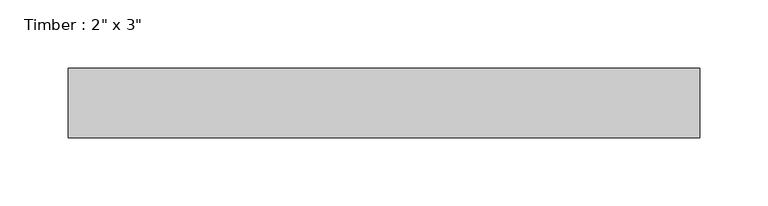
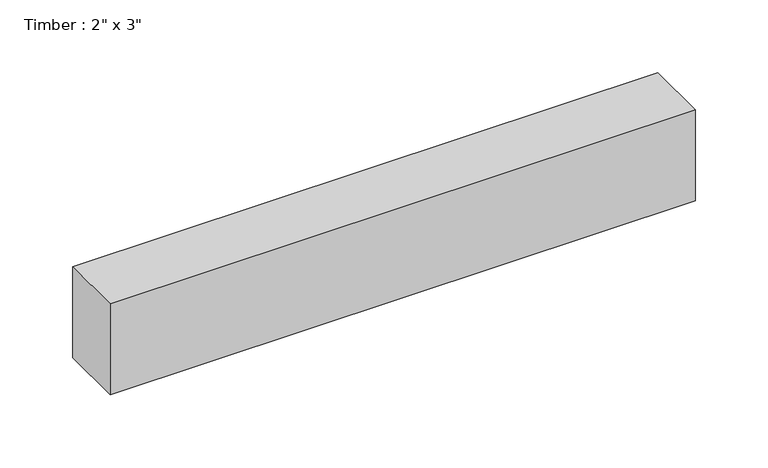
"""IFC4 building model written with IfcOpenShell, lengths in millimetres: beam geometry."""

from ifc_helpers import new_model, si_unit, frame, origin, place, context, project, spatial, polyline, outline, extrude, source, transform, mapped, element, save


def beam_2fc871fb(model_context):
    return source(origin(), model_context, "Body", "SweptSolid", [
        extrude(outline(polyline([(231.3996972, 25.4), (231.3996972, -25.4), (-231.3996972, -25.4), (-231.3996972, 25.4), (231.3996972, 25.4)])), frame((0.0, 0.0, -38.1), z_axis=(0.0, 0.0, 1.0), x_axis=(1.0, 0.0, 0.0)), (0.0, 0.0, 1.0), 76.2),
    ])


if __name__ == "__main__":
    model = new_model("IFC4")
    model_context = context("Model", 3, world=origin())
    ifc_project = project(units=[si_unit("LENGTHUNIT", "METRE", prefix="MILLI")], contexts=[model_context])
    site = spatial("IfcSite", under=ifc_project)
    building = spatial("IfcBuilding", under=site)
    placement = place(None, origin())
    beam_shape = beam_2fc871fb(model_context)
    element("IfcBeam", 1, ObjectType="Timber : 2\" x 3\"", at=placement, inside=building, context=model_context, shape_type="MappedRepresentation", body=[
        mapped(beam_shape, transform((0.0, 0.0, 0.0), x_axis=(1.0, 0.0, 0.0), y_axis=(0.0, 1.0, 0.0), z_axis=(0.0, 0.0, 1.0))),
    ])
    save(model, "model.ifc")
